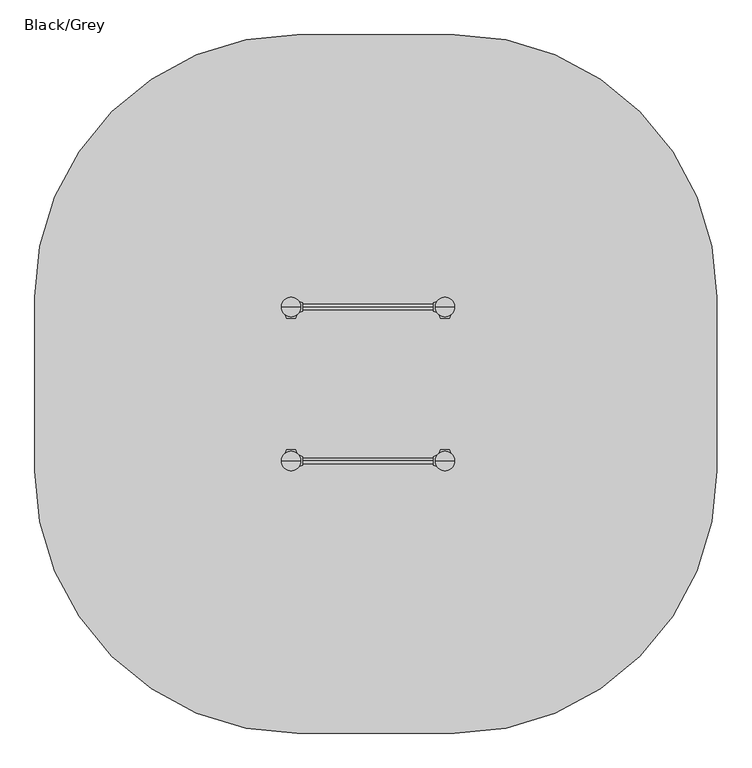
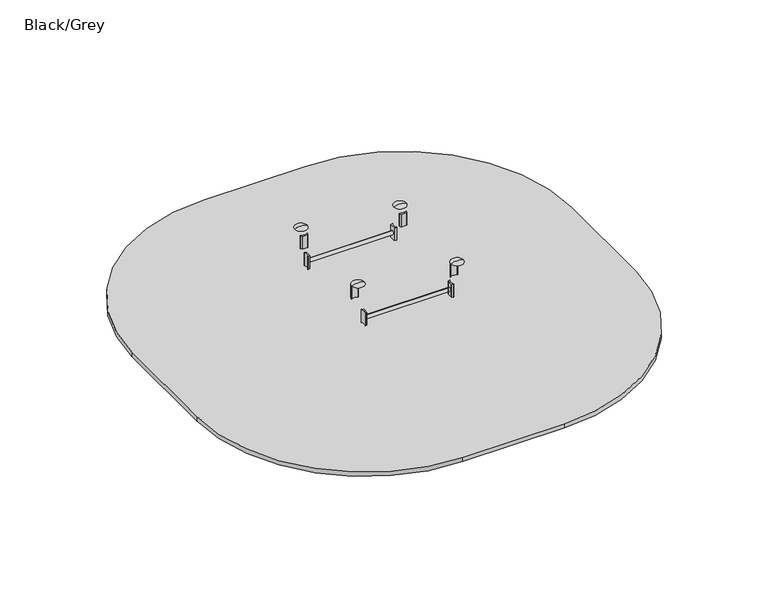
"""IFC4 building model written with IfcOpenShell, lengths in millimetres: furniture geometry, Black/Grey."""

from ifc_helpers import new_model, si_unit, point, frame, frame_2d, origin, place, context, project, spatial, polyline, circle_curve, ellipse_curve, trimmed, segment, composite_curve, outline, extrude, source, transform, mapped, element, save
from ifc_brep_helpers import plane_surface, cylinder_surface, revolved_surface, extruded_surface, advanced_brep


def black_grey_aa64d49e(model_context):
    return source(origin(), model_context, "Body", "SolidModel", [
        extrude(outline(composite_curve([segment(trimmed(circle_curve(frame_2d((-236.6777489, 1635.3699948)), 1.0), [point((-237.51792, 1634.8276734))], [point((-236.3357288, 1636.3096874))], False, "CARTESIAN"), True, "CONTINUOUS"), segment(polyline([(-236.3357288, 1636.3096874), (-219.6579799, 1630.2394832)]), True, "CONTINUOUS"), segment(trimmed(circle_curve(frame_2d((-220.0, 1629.2997906)), 1.0), [point((-219.6579799, 1630.2394832))], [point((-219.0, 1629.2997906))], False, "CARTESIAN"), True, "CONTINUOUS"), segment(polyline([(-219.0, 1629.2997906), (-219.0, 1580.7002057)]), True, "CONTINUOUS"), segment(trimmed(circle_curve(frame_2d((-220.0, 1580.7002057)), 1.0), [point((-219.0, 1580.7002057))], [point((-219.6579799, 1579.7605131))], False, "CARTESIAN"), True, "CONTINUOUS"), segment(polyline([(-219.6579799, 1579.7605131), (-236.3357288, 1573.6903089)]), True, "CONTINUOUS"), segment(trimmed(circle_curve(frame_2d((-236.6777489, 1574.6300015)), 1.0), [point((-236.3357288, 1573.6903089))], [point((-237.51792, 1575.1723229))], False, "CARTESIAN"), True, "CONTINUOUS"), segment(trimmed(circle_curve(frame_2d((-283.7273324, 1604.9999981)), 55.0), [point((-237.51792, 1575.1723229))], [point((-237.51792, 1634.8276734))], True, "CARTESIAN"), True, "CONTINUOUS")], self_intersect=False)), frame((0.0, 0.0, 305.0), z_axis=(0.0, 0.0, 1.0), x_axis=(1.0, 0.0, 0.0)), (0.0, 0.0, 1.0), 120.0),
        extrude(outline(composite_curve([segment(trimmed(circle_curve(frame_2d((548.6777489, 1574.6300052)), 1.0), [point((549.51792, 1575.1723266))], [point((548.3357288, 1573.6903126))], False, "CARTESIAN"), True, "CONTINUOUS"), segment(polyline([(548.3357288, 1573.6903126), (531.6579799, 1579.7605168)]), True, "CONTINUOUS"), segment(trimmed(circle_curve(frame_2d((532.0, 1580.7002094)), 1.0), [point((531.6579799, 1579.7605168))], [point((531.0, 1580.7002094))], False, "CARTESIAN"), True, "CONTINUOUS"), segment(polyline([(531.0, 1580.7002094), (531.0, 1629.2997943)]), True, "CONTINUOUS"), segment(trimmed(circle_curve(frame_2d((532.0, 1629.2997943)), 1.0), [point((531.0, 1629.2997943))], [point((531.6579799, 1630.2394869))], False, "CARTESIAN"), True, "CONTINUOUS"), segment(polyline([(531.6579799, 1630.2394869), (548.3357288, 1636.3096911)]), True, "CONTINUOUS"), segment(trimmed(circle_curve(frame_2d((548.6777489, 1635.3699985)), 1.0), [point((548.3357288, 1636.3096911))], [point((549.51792, 1634.8276771))], False, "CARTESIAN"), True, "CONTINUOUS"), segment(trimmed(circle_curve(frame_2d((595.7273324, 1605.0000019)), 55.0), [point((549.51792, 1634.8276771))], [point((549.51792, 1575.1723266))], True, "CARTESIAN"), True, "CONTINUOUS")], self_intersect=False)), frame((0.0, 0.0, 305.0), z_axis=(0.0, 0.0, 1.0), x_axis=(1.0, 0.0, 0.0)), (0.0, 0.0, 1.0), 120.0),
        advanced_brep(
        [(-271.5, 1677.4599432, -225.0), (-284.0, 1677.4599432, -225.0), (-296.5, 1677.4599432, -225.0), (-356.5, 1617.4599432, -225.0), (-356.5, 1592.4599432, -225.0), (-296.5, 1532.4599432, -225.0), (-271.5, 1532.4599432, -225.0), (-211.5, 1592.4599432, -225.0), (-211.5, 1617.4599432, -225.0), (-194.0, 1755.0, -460.0), (-284.0, 1755.0, -460.0), (-374.0, 1755.0, -460.0), (-434.0, 1695.0, -460.0), (-434.0, 1515.0, -460.0), (-374.0, 1455.0, -460.0), (-194.0, 1455.0, -460.0), (-134.0, 1515.0, -460.0), (-134.0, 1695.0, -460.0), (-194.0, 1755.0, -600.0), (-134.0, 1695.0, -600.0), (-134.0, 1515.0, -600.0), (-194.0, 1455.0, -600.0), (-374.0, 1455.0, -600.0), (-434.0, 1515.0, -600.0), (-434.0, 1695.0, -600.0), (-374.0, 1755.0, -600.0), (-284.0, 1755.0, -600.0)],
        [
            (0, 1),
            (1, 2),
            (2, 3, circle_curve(frame((-296.5, 1617.4599432, -225.0), z_axis=(0.0, 0.0, 1.0), x_axis=(1.0, 0.0, 0.0)), 60.0)),
            (3, 4),
            (4, 5, circle_curve(frame((-296.5, 1592.4599432, -225.0), z_axis=(0.0, 0.0, 1.0), x_axis=(1.0, 0.0, 0.0)), 60.0)),
            (5, 6),
            (6, 7, circle_curve(frame((-271.5, 1592.4599432, -225.0), z_axis=(0.0, 0.0, 1.0), x_axis=(1.0, 0.0, 0.0)), 60.0)),
            (7, 8),
            (8, 0, circle_curve(frame((-271.5, 1617.4599432, -225.0), z_axis=(0.0, 0.0, 1.0), x_axis=(1.0, 0.0, 0.0)), 60.0)),
            (0, 9),
            (9, 10),
            (10, 1),
            (10, 11),
            (11, 2),
            (11, 12, circle_curve(frame((-374.0, 1695.0, -460.0), z_axis=(0.0, 0.0, 1.0), x_axis=(1.0, 0.0, 0.0)), 60.0)),
            (12, 3),
            (12, 13),
            (13, 4),
            (13, 14, circle_curve(frame((-374.0, 1515.0, -460.0), z_axis=(0.0, 0.0, 1.0), x_axis=(1.0, 0.0, 0.0)), 60.0)),
            (14, 5),
            (14, 15),
            (15, 6),
            (15, 16, circle_curve(frame((-194.0, 1515.0, -460.0), z_axis=(0.0, 0.0, 1.0), x_axis=(1.0, 0.0, 0.0)), 60.0)),
            (16, 7),
            (16, 17),
            (17, 8),
            (17, 9, circle_curve(frame((-194.0, 1695.0, -460.0), z_axis=(0.0, 0.0, 1.0), x_axis=(1.0, 0.0, 0.0)), 60.0)),
            (18, 19, circle_curve(frame((-194.0, 1695.0, -600.0), z_axis=(0.0, 0.0, -1.0), x_axis=(1.0, 0.0, 0.0)), 60.0)),
            (19, 20),
            (20, 21, circle_curve(frame((-194.0, 1515.0, -600.0), z_axis=(0.0, 0.0, -1.0), x_axis=(1.0, 0.0, 0.0)), 60.0)),
            (21, 22),
            (22, 23, circle_curve(frame((-374.0, 1515.0, -600.0), z_axis=(0.0, 0.0, -1.0), x_axis=(1.0, 0.0, 0.0)), 60.0)),
            (23, 24),
            (24, 25, circle_curve(frame((-374.0, 1695.0, -600.0), z_axis=(0.0, 0.0, -1.0), x_axis=(1.0, 0.0, 0.0)), 60.0)),
            (25, 26),
            (26, 18),
            (26, 10),
            (9, 18),
            (25, 11),
            (23, 13),
            (12, 24),
            (21, 15),
            (14, 22),
            (19, 17),
            (16, 20),
        ],
        [
            plane_surface(frame((-284.0, 1613.0154988, -225.0), z_axis=(0.0, 0.0, 1.0), x_axis=(-1.0, 0.0, 0.0))),
            plane_surface(frame((-277.75, 1677.4599432, -225.0), z_axis=(0.0, 0.9496406059136844, 0.3133412191204512), x_axis=(1.0, 0.0, 0.0))),
            plane_surface(frame((-290.25, 1677.4599432, -225.0), z_axis=(0.0, 0.9496406059136843, 0.3133412191204512), x_axis=(1.0, 0.0, 0.0))),
            extruded_surface(trimmed(circle_curve(frame((-296.5, 1617.4599432, -225.0), z_axis=(0.0, 0.0, -1.0), x_axis=(1.0, 0.0, 0.0)), 60.0), [point((-356.5, 1617.4599432, -225.0))], [point((-296.5, 1677.4599432, -225.0))], True, "CARTESIAN"), (-77.5, 77.5400568, -235.0), 259.3139225119763),
            plane_surface(frame((-356.5, 1604.9599432, -225.0), z_axis=(-0.9496887635303409, 0.0, 0.31319523052596476), x_axis=(0.0, 1.0, 0.0))),
            extruded_surface(trimmed(circle_curve(frame((-296.5, 1592.4599432, -225.0), z_axis=(0.0, 0.0, -1.0), x_axis=(1.0, 0.0, 0.0)), 60.0), [point((-296.5, 1532.4599432, -225.0))], [point((-356.5, 1592.4599432, -225.0))], True, "CARTESIAN"), (-77.5, -77.4599432, -235.0), 259.2899782107809),
            plane_surface(frame((-284.0, 1532.4599432, -225.0), z_axis=(0.0, -0.9497369035840961, 0.3130492197250991), x_axis=(-1.0, 0.0, 0.0))),
            extruded_surface(trimmed(circle_curve(frame((-271.5, 1592.4599432, -225.0), z_axis=(0.0, 0.0, -1.0), x_axis=(1.0, 0.0, 0.0)), 60.0), [point((-211.5, 1592.4599432, -225.0))], [point((-271.5, 1532.4599432, -225.0))], True, "CARTESIAN"), (77.5, -77.4599432, -235.0), 259.2899782107809),
            plane_surface(frame((-211.5, 1604.9599432, -225.0), z_axis=(0.9496887635303416, 0.0, 0.3131952305259627), x_axis=(0.0, -1.0, 0.0))),
            extruded_surface(trimmed(circle_curve(frame((-271.5, 1617.4599432, -225.0), z_axis=(0.0, 0.0, -1.0), x_axis=(1.0, 0.0, 0.0)), 60.0), [point((-271.5, 1677.4599432, -225.0))], [point((-211.5, 1617.4599432, -225.0))], True, "CARTESIAN"), (77.5, 77.5400568, -235.0), 259.3139225119763),
            plane_surface(frame((-284.0, 1755.0, -600.0), z_axis=(0.0, 0.0, -1.0), x_axis=(1.0, 0.0, 0.0))),
            plane_surface(frame((-194.0, 1755.0, -460.0), z_axis=(0.0, 1.0, 0.0), x_axis=(0.0, 0.0, -1.0))),
            plane_surface(frame((-284.0, 1755.0, -460.0), z_axis=(0.0, 1.0, 0.0), x_axis=(0.0, 0.0, -1.0))),
            plane_surface(frame((-434.0, 1695.0, -460.0), z_axis=(-1.0, 0.0, 0.0), x_axis=(0.0, 0.0, -1.0))),
            plane_surface(frame((-374.0, 1455.0, -460.0), z_axis=(0.0, -1.0, 0.0), x_axis=(0.0, 0.0, -1.0))),
            plane_surface(frame((-134.0, 1515.0, -460.0), z_axis=(1.0, 0.0, 0.0), x_axis=(0.0, 0.0, -1.0))),
            cylinder_surface(frame((-374.0, 1695.0, -600.0), z_axis=(0.0, 0.0, 1.0), x_axis=(1.0, 0.0, 0.0)), 60.0),
            cylinder_surface(frame((-374.0, 1515.0, -600.0), z_axis=(0.0, 0.0, 1.0), x_axis=(1.0, 0.0, 0.0)), 60.0),
            cylinder_surface(frame((-194.0, 1515.0, -600.0), z_axis=(0.0, 0.0, 1.0), x_axis=(1.0, 0.0, 0.0)), 60.0),
            cylinder_surface(frame((-194.0, 1695.0, -600.0), z_axis=(0.0, 0.0, 1.0), x_axis=(1.0, 0.0, 0.0)), 60.0),
        ],
        [
            (0, [[1, 2, 3, 4, 5, 6, 7, 8, 9]]),
            (1, [[-1, 10, 11, 12]]),
            (2, [[-2, -12, 13, 14]]),
            (3, [[-3, -14, 15, 16]]),
            (4, [[-4, -16, 17, 18]]),
            (5, [[-5, -18, 19, 20]]),
            (6, [[-6, -20, 21, 22]]),
            (7, [[-7, -22, 23, 24]]),
            (8, [[-8, -24, 25, 26]]),
            (9, [[-9, -26, 27, -10]]),
            (10, [[28, 29, 30, 31, 32, 33, 34, 35, 36]]),
            (11, [[-36, 37, -11, 38]]),
            (12, [[-35, 39, -13, -37]]),
            (13, [[-33, 40, -17, 41]]),
            (14, [[-31, 42, -21, 43]]),
            (15, [[-29, 44, -25, 45]]),
            (16, [[-34, -41, -15, -39]]),
            (17, [[-32, -43, -19, -40]]),
            (18, [[-30, -45, -23, -42]]),
            (19, [[-28, -38, -27, -44]]),
        ],
    ),
        extrude(outline(composite_curve([segment(trimmed(circle_curve(frame_2d((-284.0, 1605.0)), 55.0), [point((-339.0, 1605.0))], [point((-229.0, 1605.0))], False, "CARTESIAN"), True, "CONTINUOUS"), segment(trimmed(circle_curve(frame_2d((-284.0, 1605.0)), 55.0), [point((-229.0, 1605.0))], [point((-339.0, 1605.0))], False, "CARTESIAN"), True, "CONTINUOUS")], self_intersect=False)), frame((0.0, 0.0, -600.0), z_axis=(0.0, 0.0, 1.0), x_axis=(1.0, 0.0, 0.0)), (0.0, 0.0, 1.0), 500.0),
        advanced_brep(
        [(608.5, 1677.4599432, -225.0), (596.0, 1677.4599432, -225.0), (583.5, 1677.4599432, -225.0), (523.5, 1617.4599432, -225.0), (523.5, 1592.4599432, -225.0), (583.5, 1532.4599432, -225.0), (608.5, 1532.4599432, -225.0), (668.5, 1592.4599432, -225.0), (668.5, 1617.4599432, -225.0), (686.0, 1755.0, -460.0), (596.0, 1755.0, -460.0), (506.0, 1755.0, -460.0), (446.0, 1695.0, -460.0), (446.0, 1515.0, -460.0), (506.0, 1455.0, -460.0), (686.0, 1455.0, -460.0), (746.0, 1515.0, -460.0), (746.0, 1695.0, -460.0), (686.0, 1755.0, -600.0), (746.0, 1695.0, -600.0), (746.0, 1515.0, -600.0), (686.0, 1455.0, -600.0), (506.0, 1455.0, -600.0), (446.0, 1515.0, -600.0), (446.0, 1695.0, -600.0), (506.0, 1755.0, -600.0), (596.0, 1755.0, -600.0)],
        [
            (0, 1),
            (1, 2),
            (2, 3, circle_curve(frame((583.5, 1617.4599432, -225.0), z_axis=(0.0, 0.0, 1.0), x_axis=(1.0, 0.0, 0.0)), 60.0)),
            (3, 4),
            (4, 5, circle_curve(frame((583.5, 1592.4599432, -225.0), z_axis=(0.0, 0.0, 1.0), x_axis=(1.0, 0.0, 0.0)), 60.0)),
            (5, 6),
            (6, 7, circle_curve(frame((608.5, 1592.4599432, -225.0), z_axis=(0.0, 0.0, 1.0), x_axis=(1.0, 0.0, 0.0)), 60.0)),
            (7, 8),
            (8, 0, circle_curve(frame((608.5, 1617.4599432, -225.0), z_axis=(0.0, 0.0, 1.0), x_axis=(1.0, 0.0, 0.0)), 60.0)),
            (0, 9),
            (9, 10),
            (10, 1),
            (10, 11),
            (11, 2),
            (11, 12, circle_curve(frame((506.0, 1695.0, -460.0), z_axis=(0.0, 0.0, 1.0), x_axis=(1.0, 0.0, 0.0)), 60.0)),
            (12, 3),
            (12, 13),
            (13, 4),
            (13, 14, circle_curve(frame((506.0, 1515.0, -460.0), z_axis=(0.0, 0.0, 1.0), x_axis=(1.0, 0.0, 0.0)), 60.0)),
            (14, 5),
            (14, 15),
            (15, 6),
            (15, 16, circle_curve(frame((686.0, 1515.0, -460.0), z_axis=(0.0, 0.0, 1.0), x_axis=(1.0, 0.0, 0.0)), 60.0)),
            (16, 7),
            (16, 17),
            (17, 8),
            (17, 9, circle_curve(frame((686.0, 1695.0, -460.0), z_axis=(0.0, 0.0, 1.0), x_axis=(1.0, 0.0, 0.0)), 60.0)),
            (18, 19, circle_curve(frame((686.0, 1695.0, -600.0), z_axis=(0.0, 0.0, -1.0), x_axis=(1.0, 0.0, 0.0)), 60.0)),
            (19, 20),
            (20, 21, circle_curve(frame((686.0, 1515.0, -600.0), z_axis=(0.0, 0.0, -1.0), x_axis=(1.0, 0.0, 0.0)), 60.0)),
            (21, 22),
            (22, 23, circle_curve(frame((506.0, 1515.0, -600.0), z_axis=(0.0, 0.0, -1.0), x_axis=(1.0, 0.0, 0.0)), 60.0)),
            (23, 24),
            (24, 25, circle_curve(frame((506.0, 1695.0, -600.0), z_axis=(0.0, 0.0, -1.0), x_axis=(1.0, 0.0, 0.0)), 60.0)),
            (25, 26),
            (26, 18),
            (26, 10),
            (9, 18),
            (25, 11),
            (23, 13),
            (12, 24),
            (21, 15),
            (14, 22),
            (19, 17),
            (16, 20),
        ],
        [
            plane_surface(frame((596.0, 1613.0154988, -225.0), z_axis=(0.0, 0.0, 1.0), x_axis=(-1.0, 0.0, 0.0))),
            plane_surface(frame((602.25, 1677.4599432, -225.0), z_axis=(0.0, 0.9496406059136844, 0.3133412191204512), x_axis=(1.0, 0.0, 0.0))),
            plane_surface(frame((589.75, 1677.4599432, -225.0), z_axis=(0.0, 0.9496406059136843, 0.3133412191204512), x_axis=(1.0, 0.0, 0.0))),
            extruded_surface(trimmed(circle_curve(frame((583.5, 1617.4599432, -225.0), z_axis=(0.0, 0.0, -1.0), x_axis=(1.0, 0.0, 0.0)), 60.0), [point((523.5, 1617.4599432, -225.0))], [point((583.5, 1677.4599432, -225.0))], True, "CARTESIAN"), (-77.5, 77.5400568, -235.0), 259.3139225119763),
            plane_surface(frame((523.5, 1604.9599432, -225.0), z_axis=(-0.9496887635303409, 0.0, 0.31319523052596476), x_axis=(0.0, 1.0, 0.0))),
            extruded_surface(trimmed(circle_curve(frame((583.5, 1592.4599432, -225.0), z_axis=(0.0, 0.0, -1.0), x_axis=(1.0, 0.0, 0.0)), 60.0), [point((583.5, 1532.4599432, -225.0))], [point((523.5, 1592.4599432, -225.0))], True, "CARTESIAN"), (-77.5, -77.4599432, -235.0), 259.2899782107809),
            plane_surface(frame((596.0, 1532.4599432, -225.0), z_axis=(0.0, -0.9497369035840961, 0.3130492197250991), x_axis=(-1.0, 0.0, 0.0))),
            extruded_surface(trimmed(circle_curve(frame((608.5, 1592.4599432, -225.0), z_axis=(0.0, 0.0, -1.0), x_axis=(1.0, 0.0, 0.0)), 60.0), [point((668.5, 1592.4599432, -225.0))], [point((608.5, 1532.4599432, -225.0))], True, "CARTESIAN"), (77.5, -77.4599432, -235.0), 259.2899782107809),
            plane_surface(frame((668.5, 1604.9599432, -225.0), z_axis=(0.9496887635303416, 0.0, 0.3131952305259627), x_axis=(0.0, -1.0, 0.0))),
            extruded_surface(trimmed(circle_curve(frame((608.5, 1617.4599432, -225.0), z_axis=(0.0, 0.0, -1.0), x_axis=(1.0, 0.0, 0.0)), 60.0), [point((608.5, 1677.4599432, -225.0))], [point((668.5, 1617.4599432, -225.0))], True, "CARTESIAN"), (77.5, 77.5400568, -235.0), 259.3139225119763),
            plane_surface(frame((596.0, 1755.0, -600.0), z_axis=(0.0, 0.0, -1.0), x_axis=(1.0, 0.0, 0.0))),
            plane_surface(frame((686.0, 1755.0, -460.0), z_axis=(0.0, 1.0, 0.0), x_axis=(0.0, 0.0, -1.0))),
            plane_surface(frame((596.0, 1755.0, -460.0), z_axis=(0.0, 1.0, 0.0), x_axis=(0.0, 0.0, -1.0))),
            plane_surface(frame((446.0, 1695.0, -460.0), z_axis=(-1.0, 0.0, 0.0), x_axis=(0.0, 0.0, -1.0))),
            plane_surface(frame((506.0, 1455.0, -460.0), z_axis=(0.0, -1.0, 0.0), x_axis=(0.0, 0.0, -1.0))),
            plane_surface(frame((746.0, 1515.0, -460.0), z_axis=(1.0, 0.0, 0.0), x_axis=(0.0, 0.0, -1.0))),
            cylinder_surface(frame((506.0, 1695.0, -600.0), z_axis=(0.0, 0.0, 1.0), x_axis=(1.0, 0.0, 0.0)), 60.0),
            cylinder_surface(frame((506.0, 1515.0, -600.0), z_axis=(0.0, 0.0, 1.0), x_axis=(1.0, 0.0, 0.0)), 60.0),
            cylinder_surface(frame((686.0, 1515.0, -600.0), z_axis=(0.0, 0.0, 1.0), x_axis=(1.0, 0.0, 0.0)), 60.0),
            cylinder_surface(frame((686.0, 1695.0, -600.0), z_axis=(0.0, 0.0, 1.0), x_axis=(1.0, 0.0, 0.0)), 60.0),
        ],
        [
            (0, [[1, 2, 3, 4, 5, 6, 7, 8, 9]]),
            (1, [[-1, 10, 11, 12]]),
            (2, [[-2, -12, 13, 14]]),
            (3, [[-3, -14, 15, 16]]),
            (4, [[-4, -16, 17, 18]]),
            (5, [[-5, -18, 19, 20]]),
            (6, [[-6, -20, 21, 22]]),
            (7, [[-7, -22, 23, 24]]),
            (8, [[-8, -24, 25, 26]]),
            (9, [[-9, -26, 27, -10]]),
            (10, [[28, 29, 30, 31, 32, 33, 34, 35, 36]]),
            (11, [[-36, 37, -11, 38]]),
            (12, [[-35, 39, -13, -37]]),
            (13, [[-33, 40, -17, 41]]),
            (14, [[-31, 42, -21, 43]]),
            (15, [[-29, 44, -25, 45]]),
            (16, [[-34, -41, -15, -39]]),
            (17, [[-32, -43, -19, -40]]),
            (18, [[-30, -45, -23, -42]]),
            (19, [[-28, -38, -27, -44]]),
        ],
    ),
        extrude(outline(composite_curve([segment(trimmed(circle_curve(frame_2d((596.0, 1605.0)), 55.0), [point((541.0, 1605.0))], [point((651.0, 1605.0))], False, "CARTESIAN"), True, "CONTINUOUS"), segment(trimmed(circle_curve(frame_2d((596.0, 1605.0)), 55.0), [point((651.0, 1605.0))], [point((541.0, 1605.0))], False, "CARTESIAN"), True, "CONTINUOUS")], self_intersect=False)), frame((0.0, 0.0, -600.0), z_axis=(0.0, 0.0, 1.0), x_axis=(1.0, 0.0, 0.0)), (0.0, 0.0, 1.0), 500.0),
        advanced_brep(
        [(608.5, 2557.4599432, -225.0), (596.0, 2557.4599432, -225.0), (583.5, 2557.4599432, -225.0), (523.5, 2497.4599432, -225.0), (523.5, 2472.4599432, -225.0), (583.5, 2412.4599432, -225.0), (608.5, 2412.4599432, -225.0), (668.5, 2472.4599432, -225.0), (668.5, 2497.4599432, -225.0), (686.0, 2635.0, -460.0), (596.0, 2635.0, -460.0), (506.0, 2635.0, -460.0), (446.0, 2575.0, -460.0), (446.0, 2395.0, -460.0), (506.0, 2335.0, -460.0), (686.0, 2335.0, -460.0), (746.0, 2395.0, -460.0), (746.0, 2575.0, -460.0), (686.0, 2635.0, -600.0), (746.0, 2575.0, -600.0), (746.0, 2395.0, -600.0), (686.0, 2335.0, -600.0), (506.0, 2335.0, -600.0), (446.0, 2395.0, -600.0), (446.0, 2575.0, -600.0), (506.0, 2635.0, -600.0), (596.0, 2635.0, -600.0)],
        [
            (0, 1),
            (1, 2),
            (2, 3, circle_curve(frame((583.5, 2497.4599432, -225.0), z_axis=(0.0, 0.0, 1.0), x_axis=(1.0, 0.0, 0.0)), 60.0)),
            (3, 4),
            (4, 5, circle_curve(frame((583.5, 2472.4599432, -225.0), z_axis=(0.0, 0.0, 1.0), x_axis=(1.0, 0.0, 0.0)), 60.0)),
            (5, 6),
            (6, 7, circle_curve(frame((608.5, 2472.4599432, -225.0), z_axis=(0.0, 0.0, 1.0), x_axis=(1.0, 0.0, 0.0)), 60.0)),
            (7, 8),
            (8, 0, circle_curve(frame((608.5, 2497.4599432, -225.0), z_axis=(0.0, 0.0, 1.0), x_axis=(1.0, 0.0, 0.0)), 60.0)),
            (0, 9),
            (9, 10),
            (10, 1),
            (10, 11),
            (11, 2),
            (11, 12, circle_curve(frame((506.0, 2575.0, -460.0), z_axis=(0.0, 0.0, 1.0), x_axis=(1.0, 0.0, 0.0)), 60.0)),
            (12, 3),
            (12, 13),
            (13, 4),
            (13, 14, circle_curve(frame((506.0, 2395.0, -460.0), z_axis=(0.0, 0.0, 1.0), x_axis=(1.0, 0.0, 0.0)), 60.0)),
            (14, 5),
            (14, 15),
            (15, 6),
            (15, 16, circle_curve(frame((686.0, 2395.0, -460.0), z_axis=(0.0, 0.0, 1.0), x_axis=(1.0, 0.0, 0.0)), 60.0)),
            (16, 7),
            (16, 17),
            (17, 8),
            (17, 9, circle_curve(frame((686.0, 2575.0, -460.0), z_axis=(0.0, 0.0, 1.0), x_axis=(1.0, 0.0, 0.0)), 60.0)),
            (18, 19, circle_curve(frame((686.0, 2575.0, -600.0), z_axis=(0.0, 0.0, -1.0), x_axis=(1.0, 0.0, 0.0)), 60.0)),
            (19, 20),
            (20, 21, circle_curve(frame((686.0, 2395.0, -600.0), z_axis=(0.0, 0.0, -1.0), x_axis=(1.0, 0.0, 0.0)), 60.0)),
            (21, 22),
            (22, 23, circle_curve(frame((506.0, 2395.0, -600.0), z_axis=(0.0, 0.0, -1.0), x_axis=(1.0, 0.0, 0.0)), 60.0)),
            (23, 24),
            (24, 25, circle_curve(frame((506.0, 2575.0, -600.0), z_axis=(0.0, 0.0, -1.0), x_axis=(1.0, 0.0, 0.0)), 60.0)),
            (25, 26),
            (26, 18),
            (26, 10),
            (9, 18),
            (25, 11),
            (23, 13),
            (12, 24),
            (21, 15),
            (14, 22),
            (19, 17),
            (16, 20),
        ],
        [
            plane_surface(frame((596.0, 2493.0154988, -225.0), z_axis=(0.0, 0.0, 1.0), x_axis=(-1.0, 0.0, 0.0))),
            plane_surface(frame((602.25, 2557.4599432, -225.0), z_axis=(0.0, 0.9496406059136844, 0.3133412191204512), x_axis=(1.0, 0.0, 0.0))),
            plane_surface(frame((589.75, 2557.4599432, -225.0), z_axis=(0.0, 0.9496406059136843, 0.3133412191204512), x_axis=(1.0, 0.0, 0.0))),
            extruded_surface(trimmed(circle_curve(frame((583.5, 2497.4599432, -225.0), z_axis=(0.0, 0.0, -1.0), x_axis=(1.0, 0.0, 0.0)), 60.0), [point((523.5, 2497.4599432, -225.0))], [point((583.5, 2557.4599432, -225.0))], True, "CARTESIAN"), (-77.5, 77.5400568, -235.0), 259.3139225119763),
            plane_surface(frame((523.5, 2484.9599432, -225.0), z_axis=(-0.9496887635303409, 0.0, 0.31319523052596476), x_axis=(0.0, 1.0, 0.0))),
            extruded_surface(trimmed(circle_curve(frame((583.5, 2472.4599432, -225.0), z_axis=(0.0, 0.0, -1.0), x_axis=(1.0, 0.0, 0.0)), 60.0), [point((583.5, 2412.4599432, -225.0))], [point((523.5, 2472.4599432, -225.0))], True, "CARTESIAN"), (-77.5, -77.4599432, -235.0), 259.2899782107809),
            plane_surface(frame((596.0, 2412.4599432, -225.0), z_axis=(0.0, -0.9497369035840961, 0.3130492197250991), x_axis=(-1.0, 0.0, 0.0))),
            extruded_surface(trimmed(circle_curve(frame((608.5, 2472.4599432, -225.0), z_axis=(0.0, 0.0, -1.0), x_axis=(1.0, 0.0, 0.0)), 60.0), [point((668.5, 2472.4599432, -225.0))], [point((608.5, 2412.4599432, -225.0))], True, "CARTESIAN"), (77.5, -77.4599432, -235.0), 259.2899782107809),
            plane_surface(frame((668.5, 2484.9599432, -225.0), z_axis=(0.9496887635303416, 0.0, 0.3131952305259627), x_axis=(0.0, -1.0, 0.0))),
            extruded_surface(trimmed(circle_curve(frame((608.5, 2497.4599432, -225.0), z_axis=(0.0, 0.0, -1.0), x_axis=(1.0, 0.0, 0.0)), 60.0), [point((608.5, 2557.4599432, -225.0))], [point((668.5, 2497.4599432, -225.0))], True, "CARTESIAN"), (77.5, 77.5400568, -235.0), 259.3139225119763),
            plane_surface(frame((596.0, 2635.0, -600.0), z_axis=(0.0, 0.0, -1.0), x_axis=(1.0, 0.0, 0.0))),
            plane_surface(frame((686.0, 2635.0, -460.0), z_axis=(0.0, 1.0, 0.0), x_axis=(0.0, 0.0, -1.0))),
            plane_surface(frame((596.0, 2635.0, -460.0), z_axis=(0.0, 1.0, 0.0), x_axis=(0.0, 0.0, -1.0))),
            plane_surface(frame((446.0, 2575.0, -460.0), z_axis=(-1.0, 0.0, 0.0), x_axis=(0.0, 0.0, -1.0))),
            plane_surface(frame((506.0, 2335.0, -460.0), z_axis=(0.0, -1.0, 0.0), x_axis=(0.0, 0.0, -1.0))),
            plane_surface(frame((746.0, 2395.0, -460.0), z_axis=(1.0, 0.0, 0.0), x_axis=(0.0, 0.0, -1.0))),
            cylinder_surface(frame((506.0, 2575.0, -600.0), z_axis=(0.0, 0.0, 1.0), x_axis=(1.0, 0.0, 0.0)), 60.0),
            cylinder_surface(frame((506.0, 2395.0, -600.0), z_axis=(0.0, 0.0, 1.0), x_axis=(1.0, 0.0, 0.0)), 60.0),
            cylinder_surface(frame((686.0, 2395.0, -600.0), z_axis=(0.0, 0.0, 1.0), x_axis=(1.0, 0.0, 0.0)), 60.0),
            cylinder_surface(frame((686.0, 2575.0, -600.0), z_axis=(0.0, 0.0, 1.0), x_axis=(1.0, 0.0, 0.0)), 60.0),
        ],
        [
            (0, [[1, 2, 3, 4, 5, 6, 7, 8, 9]]),
            (1, [[-1, 10, 11, 12]]),
            (2, [[-2, -12, 13, 14]]),
            (3, [[-3, -14, 15, 16]]),
            (4, [[-4, -16, 17, 18]]),
            (5, [[-5, -18, 19, 20]]),
            (6, [[-6, -20, 21, 22]]),
            (7, [[-7, -22, 23, 24]]),
            (8, [[-8, -24, 25, 26]]),
            (9, [[-9, -26, 27, -10]]),
            (10, [[28, 29, 30, 31, 32, 33, 34, 35, 36]]),
            (11, [[-36, 37, -11, 38]]),
            (12, [[-35, 39, -13, -37]]),
            (13, [[-33, 40, -17, 41]]),
            (14, [[-31, 42, -21, 43]]),
            (15, [[-29, 44, -25, 45]]),
            (16, [[-34, -41, -15, -39]]),
            (17, [[-32, -43, -19, -40]]),
            (18, [[-30, -45, -23, -42]]),
            (19, [[-28, -38, -27, -44]]),
        ],
    ),
        extrude(outline(composite_curve([segment(trimmed(circle_curve(frame_2d((596.0, 2485.0)), 55.0), [point((541.0, 2485.0))], [point((651.0, 2485.0))], False, "CARTESIAN"), True, "CONTINUOUS"), segment(trimmed(circle_curve(frame_2d((596.0, 2485.0)), 55.0), [point((651.0, 2485.0))], [point((541.0, 2485.0))], False, "CARTESIAN"), True, "CONTINUOUS")], self_intersect=False)), frame((0.0, 0.0, -600.0), z_axis=(0.0, 0.0, 1.0), x_axis=(1.0, 0.0, 0.0)), (0.0, 0.0, 1.0), 500.0),
        advanced_brep(
        [(-271.5, 2557.4599432, -225.0), (-284.0, 2557.4599432, -225.0), (-296.5, 2557.4599432, -225.0), (-356.5, 2497.4599432, -225.0), (-356.5, 2472.4599432, -225.0), (-296.5, 2412.4599432, -225.0), (-271.5, 2412.4599432, -225.0), (-211.5, 2472.4599432, -225.0), (-211.5, 2497.4599432, -225.0), (-194.0, 2635.0, -460.0), (-284.0, 2635.0, -460.0), (-374.0, 2635.0, -460.0), (-434.0, 2575.0, -460.0), (-434.0, 2395.0, -460.0), (-374.0, 2335.0, -460.0), (-194.0, 2335.0, -460.0), (-134.0, 2395.0, -460.0), (-134.0, 2575.0, -460.0), (-194.0, 2635.0, -600.0), (-134.0, 2575.0, -600.0), (-134.0, 2395.0, -600.0), (-194.0, 2335.0, -600.0), (-374.0, 2335.0, -600.0), (-434.0, 2395.0, -600.0), (-434.0, 2575.0, -600.0), (-374.0, 2635.0, -600.0), (-284.0, 2635.0, -600.0)],
        [
            (0, 1),
            (1, 2),
            (2, 3, circle_curve(frame((-296.5, 2497.4599432, -225.0), z_axis=(0.0, 0.0, 1.0), x_axis=(1.0, 0.0, 0.0)), 60.0)),
            (3, 4),
            (4, 5, circle_curve(frame((-296.5, 2472.4599432, -225.0), z_axis=(0.0, 0.0, 1.0), x_axis=(1.0, 0.0, 0.0)), 60.0)),
            (5, 6),
            (6, 7, circle_curve(frame((-271.5, 2472.4599432, -225.0), z_axis=(0.0, 0.0, 1.0), x_axis=(1.0, 0.0, 0.0)), 60.0)),
            (7, 8),
            (8, 0, circle_curve(frame((-271.5, 2497.4599432, -225.0), z_axis=(0.0, 0.0, 1.0), x_axis=(1.0, 0.0, 0.0)), 60.0)),
            (0, 9),
            (9, 10),
            (10, 1),
            (10, 11),
            (11, 2),
            (11, 12, circle_curve(frame((-374.0, 2575.0, -460.0), z_axis=(0.0, 0.0, 1.0), x_axis=(1.0, 0.0, 0.0)), 60.0)),
            (12, 3),
            (12, 13),
            (13, 4),
            (13, 14, circle_curve(frame((-374.0, 2395.0, -460.0), z_axis=(0.0, 0.0, 1.0), x_axis=(1.0, 0.0, 0.0)), 60.0)),
            (14, 5),
            (14, 15),
            (15, 6),
            (15, 16, circle_curve(frame((-194.0, 2395.0, -460.0), z_axis=(0.0, 0.0, 1.0), x_axis=(1.0, 0.0, 0.0)), 60.0)),
            (16, 7),
            (16, 17),
            (17, 8),
            (17, 9, circle_curve(frame((-194.0, 2575.0, -460.0), z_axis=(0.0, 0.0, 1.0), x_axis=(1.0, 0.0, 0.0)), 60.0)),
            (18, 19, circle_curve(frame((-194.0, 2575.0, -600.0), z_axis=(0.0, 0.0, -1.0), x_axis=(1.0, 0.0, 0.0)), 60.0)),
            (19, 20),
            (20, 21, circle_curve(frame((-194.0, 2395.0, -600.0), z_axis=(0.0, 0.0, -1.0), x_axis=(1.0, 0.0, 0.0)), 60.0)),
            (21, 22),
            (22, 23, circle_curve(frame((-374.0, 2395.0, -600.0), z_axis=(0.0, 0.0, -1.0), x_axis=(1.0, 0.0, 0.0)), 60.0)),
            (23, 24),
            (24, 25, circle_curve(frame((-374.0, 2575.0, -600.0), z_axis=(0.0, 0.0, -1.0), x_axis=(1.0, 0.0, 0.0)), 60.0)),
            (25, 26),
            (26, 18),
            (26, 10),
            (9, 18),
            (25, 11),
            (23, 13),
            (12, 24),
            (21, 15),
            (14, 22),
            (19, 17),
            (16, 20),
        ],
        [
            plane_surface(frame((-284.0, 2493.0154988, -225.0), z_axis=(0.0, 0.0, 1.0), x_axis=(-1.0, 0.0, 0.0))),
            plane_surface(frame((-277.75, 2557.4599432, -225.0), z_axis=(0.0, 0.9496406059136844, 0.3133412191204512), x_axis=(1.0, 0.0, 0.0))),
            plane_surface(frame((-290.25, 2557.4599432, -225.0), z_axis=(0.0, 0.9496406059136843, 0.3133412191204512), x_axis=(1.0, 0.0, 0.0))),
            extruded_surface(trimmed(circle_curve(frame((-296.5, 2497.4599432, -225.0), z_axis=(0.0, 0.0, -1.0), x_axis=(1.0, 0.0, 0.0)), 60.0), [point((-356.5, 2497.4599432, -225.0))], [point((-296.5, 2557.4599432, -225.0))], True, "CARTESIAN"), (-77.5, 77.5400568, -235.0), 259.3139225119763),
            plane_surface(frame((-356.5, 2484.9599432, -225.0), z_axis=(-0.9496887635303409, 0.0, 0.31319523052596476), x_axis=(0.0, 1.0, 0.0))),
            extruded_surface(trimmed(circle_curve(frame((-296.5, 2472.4599432, -225.0), z_axis=(0.0, 0.0, -1.0), x_axis=(1.0, 0.0, 0.0)), 60.0), [point((-296.5, 2412.4599432, -225.0))], [point((-356.5, 2472.4599432, -225.0))], True, "CARTESIAN"), (-77.5, -77.4599432, -235.0), 259.2899782107809),
            plane_surface(frame((-284.0, 2412.4599432, -225.0), z_axis=(0.0, -0.9497369035840961, 0.3130492197250991), x_axis=(-1.0, 0.0, 0.0))),
            extruded_surface(trimmed(circle_curve(frame((-271.5, 2472.4599432, -225.0), z_axis=(0.0, 0.0, -1.0), x_axis=(1.0, 0.0, 0.0)), 60.0), [point((-211.5, 2472.4599432, -225.0))], [point((-271.5, 2412.4599432, -225.0))], True, "CARTESIAN"), (77.5, -77.4599432, -235.0), 259.2899782107809),
            plane_surface(frame((-211.5, 2484.9599432, -225.0), z_axis=(0.9496887635303416, 0.0, 0.3131952305259627), x_axis=(0.0, -1.0, 0.0))),
            extruded_surface(trimmed(circle_curve(frame((-271.5, 2497.4599432, -225.0), z_axis=(0.0, 0.0, -1.0), x_axis=(1.0, 0.0, 0.0)), 60.0), [point((-271.5, 2557.4599432, -225.0))], [point((-211.5, 2497.4599432, -225.0))], True, "CARTESIAN"), (77.5, 77.5400568, -235.0), 259.3139225119763),
            plane_surface(frame((-284.0, 2635.0, -600.0), z_axis=(0.0, 0.0, -1.0), x_axis=(1.0, 0.0, 0.0))),
            plane_surface(frame((-194.0, 2635.0, -460.0), z_axis=(0.0, 1.0, 0.0), x_axis=(0.0, 0.0, -1.0))),
            plane_surface(frame((-284.0, 2635.0, -460.0), z_axis=(0.0, 1.0, 0.0), x_axis=(0.0, 0.0, -1.0))),
            plane_surface(frame((-434.0, 2575.0, -460.0), z_axis=(-1.0, 0.0, 0.0), x_axis=(0.0, 0.0, -1.0))),
            plane_surface(frame((-374.0, 2335.0, -460.0), z_axis=(0.0, -1.0, 0.0), x_axis=(0.0, 0.0, -1.0))),
            plane_surface(frame((-134.0, 2395.0, -460.0), z_axis=(1.0, 0.0, 0.0), x_axis=(0.0, 0.0, -1.0))),
            cylinder_surface(frame((-374.0, 2575.0, -600.0), z_axis=(0.0, 0.0, 1.0), x_axis=(1.0, 0.0, 0.0)), 60.0),
            cylinder_surface(frame((-374.0, 2395.0, -600.0), z_axis=(0.0, 0.0, 1.0), x_axis=(1.0, 0.0, 0.0)), 60.0),
            cylinder_surface(frame((-194.0, 2395.0, -600.0), z_axis=(0.0, 0.0, 1.0), x_axis=(1.0, 0.0, 0.0)), 60.0),
            cylinder_surface(frame((-194.0, 2575.0, -600.0), z_axis=(0.0, 0.0, 1.0), x_axis=(1.0, 0.0, 0.0)), 60.0),
        ],
        [
            (0, [[1, 2, 3, 4, 5, 6, 7, 8, 9]]),
            (1, [[-1, 10, 11, 12]]),
            (2, [[-2, -12, 13, 14]]),
            (3, [[-3, -14, 15, 16]]),
            (4, [[-4, -16, 17, 18]]),
            (5, [[-5, -18, 19, 20]]),
            (6, [[-6, -20, 21, 22]]),
            (7, [[-7, -22, 23, 24]]),
            (8, [[-8, -24, 25, 26]]),
            (9, [[-9, -26, 27, -10]]),
            (10, [[28, 29, 30, 31, 32, 33, 34, 35, 36]]),
            (11, [[-36, 37, -11, 38]]),
            (12, [[-35, 39, -13, -37]]),
            (13, [[-33, 40, -17, 41]]),
            (14, [[-31, 42, -21, 43]]),
            (15, [[-29, 44, -25, 45]]),
            (16, [[-34, -41, -15, -39]]),
            (17, [[-32, -43, -19, -40]]),
            (18, [[-30, -45, -23, -42]]),
            (19, [[-28, -38, -27, -44]]),
        ],
    ),
        extrude(outline(composite_curve([segment(trimmed(circle_curve(frame_2d((-284.0, 2485.0)), 55.0), [point((-339.0, 2485.0))], [point((-229.0, 2485.0))], False, "CARTESIAN"), True, "CONTINUOUS"), segment(trimmed(circle_curve(frame_2d((-284.0, 2485.0)), 55.0), [point((-229.0, 2485.0))], [point((-339.0, 2485.0))], False, "CARTESIAN"), True, "CONTINUOUS")], self_intersect=False)), frame((0.0, 0.0, -600.0), z_axis=(0.0, 0.0, 1.0), x_axis=(1.0, 0.0, 0.0)), (0.0, 0.0, 1.0), 500.0),
        extrude(outline(composite_curve([segment(trimmed(circle_curve(frame_2d((-236.6777489, 2515.3699948)), 1.0), [point((-237.51792, 2514.8276734))], [point((-236.3357288, 2516.3096874))], False, "CARTESIAN"), True, "CONTINUOUS"), segment(polyline([(-236.3357288, 2516.3096874), (-219.6579799, 2510.2394832)]), True, "CONTINUOUS"), segment(trimmed(circle_curve(frame_2d((-220.0, 2509.2997906)), 1.0), [point((-219.6579799, 2510.2394832))], [point((-219.0, 2509.2997906))], False, "CARTESIAN"), True, "CONTINUOUS"), segment(polyline([(-219.0, 2509.2997906), (-219.0, 2460.7002057)]), True, "CONTINUOUS"), segment(trimmed(circle_curve(frame_2d((-220.0, 2460.7002057)), 1.0), [point((-219.0, 2460.7002057))], [point((-219.6579799, 2459.7605131))], False, "CARTESIAN"), True, "CONTINUOUS"), segment(polyline([(-219.6579799, 2459.7605131), (-236.3357288, 2453.6903089)]), True, "CONTINUOUS"), segment(trimmed(circle_curve(frame_2d((-236.6777489, 2454.6300015)), 1.0), [point((-236.3357288, 2453.6903089))], [point((-237.51792, 2455.1723229))], False, "CARTESIAN"), True, "CONTINUOUS"), segment(trimmed(circle_curve(frame_2d((-283.7273324, 2484.9999981)), 55.0), [point((-237.51792, 2455.1723229))], [point((-237.51792, 2514.8276734))], True, "CARTESIAN"), True, "CONTINUOUS")], self_intersect=False)), frame((0.0, 0.0, 305.0), z_axis=(0.0, 0.0, 1.0), x_axis=(1.0, 0.0, 0.0)), (0.0, 0.0, 1.0), 120.0),
        extrude(outline(composite_curve([segment(trimmed(circle_curve(frame_2d((548.6777489, 2454.6300052)), 1.0), [point((549.51792, 2455.1723266))], [point((548.3357288, 2453.6903126))], False, "CARTESIAN"), True, "CONTINUOUS"), segment(polyline([(548.3357288, 2453.6903126), (531.6579799, 2459.7605168)]), True, "CONTINUOUS"), segment(trimmed(circle_curve(frame_2d((532.0, 2460.7002094)), 1.0), [point((531.6579799, 2459.7605168))], [point((531.0, 2460.7002094))], False, "CARTESIAN"), True, "CONTINUOUS"), segment(polyline([(531.0, 2460.7002094), (531.0, 2509.2997943)]), True, "CONTINUOUS"), segment(trimmed(circle_curve(frame_2d((532.0, 2509.2997943)), 1.0), [point((531.0, 2509.2997943))], [point((531.6579799, 2510.2394869))], False, "CARTESIAN"), True, "CONTINUOUS"), segment(polyline([(531.6579799, 2510.2394869), (548.3357288, 2516.3096911)]), True, "CONTINUOUS"), segment(trimmed(circle_curve(frame_2d((548.6777489, 2515.3699985)), 1.0), [point((548.3357288, 2516.3096911))], [point((549.51792, 2514.8276771))], False, "CARTESIAN"), True, "CONTINUOUS"), segment(trimmed(circle_curve(frame_2d((595.7273324, 2485.0000019)), 55.0), [point((549.51792, 2514.8276771))], [point((549.51792, 2455.1723266))], True, "CARTESIAN"), True, "CONTINUOUS")], self_intersect=False)), frame((0.0, 0.0, 305.0), z_axis=(0.0, 0.0, 1.0), x_axis=(1.0, 0.0, 0.0)), (0.0, 0.0, 1.0), 120.0),
        extrude(outline(composite_curve([segment(trimmed(circle_curve(frame_2d((626.3699948, 2437.9866211)), 1.0), [point((625.8276734, 2438.8267923))], [point((627.3096874, 2437.644601))], False, "CARTESIAN"), True, "CONTINUOUS"), segment(polyline([(627.3096874, 2437.644601), (621.2394832, 2420.9668521)]), True, "CONTINUOUS"), segment(trimmed(circle_curve(frame_2d((620.2997906, 2421.3088722)), 1.0), [point((621.2394832, 2420.9668521))], [point((620.2997906, 2420.3088722))], False, "CARTESIAN"), True, "CONTINUOUS"), segment(polyline([(620.2997906, 2420.3088722), (571.7002057, 2420.3088722)]), True, "CONTINUOUS"), segment(trimmed(circle_curve(frame_2d((571.7002057, 2421.3088722)), 1.0), [point((571.7002057, 2420.3088722))], [point((570.7605131, 2420.9668521))], False, "CARTESIAN"), True, "CONTINUOUS"), segment(polyline([(570.7605131, 2420.9668521), (564.6903089, 2437.644601)]), True, "CONTINUOUS"), segment(trimmed(circle_curve(frame_2d((565.6300015, 2437.9866211)), 1.0), [point((564.6903089, 2437.644601))], [point((566.1723229, 2438.8267923))], False, "CARTESIAN"), True, "CONTINUOUS"), segment(trimmed(circle_curve(frame_2d((595.9999981, 2485.0362046)), 55.0), [point((566.1723229, 2438.8267923))], [point((625.8276734, 2438.8267923))], True, "CARTESIAN"), True, "CONTINUOUS")], self_intersect=False)), frame((0.0, 0.0, 440.0), z_axis=(0.0, 0.0, 1.0), x_axis=(1.0, 0.0, 0.0)), (0.0, 0.0, 1.0), 120.0),
        extrude(outline(composite_curve([segment(trimmed(circle_curve(frame_2d((565.6300052, 1652.0740781)), 1.0), [point((566.1723266, 1651.233907))], [point((564.6903126, 1652.4160982))], False, "CARTESIAN"), True, "CONTINUOUS"), segment(polyline([(564.6903126, 1652.4160982), (570.7605168, 1669.0938471)]), True, "CONTINUOUS"), segment(trimmed(circle_curve(frame_2d((571.7002094, 1668.751827)), 1.0), [point((570.7605168, 1669.0938471))], [point((571.7002094, 1669.751827))], False, "CARTESIAN"), True, "CONTINUOUS"), segment(polyline([(571.7002094, 1669.751827), (620.2997943, 1669.751827)]), True, "CONTINUOUS"), segment(trimmed(circle_curve(frame_2d((620.2997943, 1668.751827)), 1.0), [point((620.2997943, 1669.751827))], [point((621.2394869, 1669.0938471))], False, "CARTESIAN"), True, "CONTINUOUS"), segment(polyline([(621.2394869, 1669.0938471), (627.3096911, 1652.4160982)]), True, "CONTINUOUS"), segment(trimmed(circle_curve(frame_2d((626.3699985, 1652.0740781)), 1.0), [point((627.3096911, 1652.4160982))], [point((625.8276771, 1651.233907))], False, "CARTESIAN"), True, "CONTINUOUS"), segment(trimmed(circle_curve(frame_2d((596.0000019, 1605.0244946)), 55.0), [point((625.8276771, 1651.233907))], [point((566.1723266, 1651.233907))], True, "CARTESIAN"), True, "CONTINUOUS")], self_intersect=False)), frame((0.0, 0.0, 440.0), z_axis=(0.0, 0.0, 1.0), x_axis=(1.0, 0.0, 0.0)), (0.0, 0.0, 1.0), 120.0),
        advanced_brep(
        [(651.0, 2485.0, 600.0), (541.0, 2485.0, 600.0), (596.0, 2485.0, 612.0246565), (596.0, 2485.0, 600.0)],
        [
            (0, 1, circle_curve(frame((596.0, 2485.0, 600.0), z_axis=(0.0, 0.0, 1.0), x_axis=(-1.0, 0.0, 0.0)), 55.0)),
            (1, 2, circle_curve(frame((591.4549856, 2485.0, 501.0177111), z_axis=(0.0, 1.0, 0.0), x_axis=(-1.0, 0.0, 0.0)), 111.0999509)),
            (2, 0, circle_curve(frame((600.5450144, 2485.0, 501.0177111), z_axis=(0.0, 1.0, 0.0), x_axis=(1.0, 0.0, 0.0)), 111.0999509)),
            (1, 0, circle_curve(frame((596.0, 2485.0, 600.0), z_axis=(0.0, 0.0, 1.0), x_axis=(-1.0, 0.0, 0.0)), 55.0)),
            (3, 1),
            (0, 3),
        ],
        [
            revolved_surface(trimmed(ellipse_curve(frame((591.4549856, 2485.0, 501.0177111), z_axis=(0.0, -1.0, 0.0), x_axis=(-1.0, 0.0, 0.0)), 111.0999509, 111.0999509), [point((596.0, 2485.0, 612.0246565))], [point((541.0, 2485.0, 600.0))], True, "CARTESIAN"), (596.0, 2485.0, 219.0), (0.0, 0.0, -1.0)),
            plane_surface(frame((596.0, 2485.0, 600.0), z_axis=(0.0, 0.0, -1.0), x_axis=(-1.0, 0.0, 0.0))),
        ],
        [
            (0, [[1, 2, 3]]),
            (0, [[4, -3, -2]]),
            (1, [[5, -1, 6]]),
            (1, [[-6, -4, -5]]),
        ],
    ),
        advanced_brep(
        [(-229.0, 2485.0, 700.0), (-339.0, 2485.0, 700.0), (-284.0, 2485.0, 712.0246565), (-284.0, 2485.0, 700.0)],
        [
            (0, 1, circle_curve(frame((-284.0, 2485.0, 700.0), z_axis=(0.0, 0.0, 1.0), x_axis=(-1.0, 0.0, 0.0)), 55.0)),
            (1, 2, circle_curve(frame((-288.5450144, 2485.0, 601.0177111), z_axis=(0.0, 1.0, 0.0), x_axis=(-1.0, 0.0, 0.0)), 111.0999509)),
            (2, 0, circle_curve(frame((-279.4549856, 2485.0, 601.0177111), z_axis=(0.0, 1.0, 0.0), x_axis=(1.0, 0.0, 0.0)), 111.0999509)),
            (1, 0, circle_curve(frame((-284.0, 2485.0, 700.0), z_axis=(0.0, 0.0, 1.0), x_axis=(-1.0, 0.0, 0.0)), 55.0)),
            (3, 1),
            (0, 3),
        ],
        [
            revolved_surface(trimmed(ellipse_curve(frame((-288.5450144, 2485.0, 601.0177111), z_axis=(0.0, -1.0, 0.0), x_axis=(-1.0, 0.0, 0.0)), 111.0999509, 111.0999509), [point((-284.0, 2485.0, 712.0246565))], [point((-339.0, 2485.0, 700.0))], True, "CARTESIAN"), (-284.0, 2485.0, 319.0), (0.0, 0.0, -1.0)),
            plane_surface(frame((-284.0, 2485.0, 700.0), z_axis=(0.0, 0.0, -1.0), x_axis=(-1.0, 0.0, 0.0))),
        ],
        [
            (0, [[1, 2, 3]]),
            (0, [[4, -3, -2]]),
            (1, [[5, -1, 6]]),
            (1, [[-6, -4, -5]]),
        ],
    ),
        extrude(outline(composite_curve([segment(trimmed(circle_curve(frame_2d((-253.6300052, 2437.9866211)), 1.0), [point((-254.1723266, 2438.8267923))], [point((-252.6903126, 2437.644601))], False, "CARTESIAN"), True, "CONTINUOUS"), segment(polyline([(-252.6903126, 2437.644601), (-258.7605168, 2420.9668521)]), True, "CONTINUOUS"), segment(trimmed(circle_curve(frame_2d((-259.7002094, 2421.3088722)), 1.0), [point((-258.7605168, 2420.9668521))], [point((-259.7002094, 2420.3088722))], False, "CARTESIAN"), True, "CONTINUOUS"), segment(polyline([(-259.7002094, 2420.3088722), (-308.2997943, 2420.3088722)]), True, "CONTINUOUS"), segment(trimmed(circle_curve(frame_2d((-308.2997943, 2421.3088722)), 1.0), [point((-308.2997943, 2420.3088722))], [point((-309.2394869, 2420.9668521))], False, "CARTESIAN"), True, "CONTINUOUS"), segment(polyline([(-309.2394869, 2420.9668521), (-315.3096911, 2437.644601)]), True, "CONTINUOUS"), segment(trimmed(circle_curve(frame_2d((-314.3699985, 2437.9866211)), 1.0), [point((-315.3096911, 2437.644601))], [point((-313.8276771, 2438.8267923))], False, "CARTESIAN"), True, "CONTINUOUS"), segment(trimmed(circle_curve(frame_2d((-284.0000019, 2485.0362046)), 55.0), [point((-313.8276771, 2438.8267923))], [point((-254.1723266, 2438.8267923))], True, "CARTESIAN"), True, "CONTINUOUS")], self_intersect=False)), frame((0.0, 0.0, 540.0), z_axis=(0.0, 0.0, 1.0), x_axis=(1.0, 0.0, 0.0)), (0.0, 0.0, 1.0), 120.0),
        extrude(outline(composite_curve([segment(trimmed(circle_curve(frame_2d((-314.3699948, 1652.0740781)), 1.0), [point((-313.8276734, 1651.233907))], [point((-315.3096874, 1652.4160982))], False, "CARTESIAN"), True, "CONTINUOUS"), segment(polyline([(-315.3096874, 1652.4160982), (-309.2394832, 1669.0938471)]), True, "CONTINUOUS"), segment(trimmed(circle_curve(frame_2d((-308.2997906, 1668.751827)), 1.0), [point((-309.2394832, 1669.0938471))], [point((-308.2997906, 1669.751827))], False, "CARTESIAN"), True, "CONTINUOUS"), segment(polyline([(-308.2997906, 1669.751827), (-259.7002057, 1669.751827)]), True, "CONTINUOUS"), segment(trimmed(circle_curve(frame_2d((-259.7002057, 1668.751827)), 1.0), [point((-259.7002057, 1669.751827))], [point((-258.7605131, 1669.0938471))], False, "CARTESIAN"), True, "CONTINUOUS"), segment(polyline([(-258.7605131, 1669.0938471), (-252.6903089, 1652.4160982)]), True, "CONTINUOUS"), segment(trimmed(circle_curve(frame_2d((-253.6300015, 1652.0740781)), 1.0), [point((-252.6903089, 1652.4160982))], [point((-254.1723229, 1651.233907))], False, "CARTESIAN"), True, "CONTINUOUS"), segment(trimmed(circle_curve(frame_2d((-283.9999981, 1605.0244946)), 55.0), [point((-254.1723229, 1651.233907))], [point((-313.8276734, 1651.233907))], True, "CARTESIAN"), True, "CONTINUOUS")], self_intersect=False)), frame((0.0, 0.0, 540.0), z_axis=(0.0, 0.0, 1.0), x_axis=(1.0, 0.0, 0.0)), (0.0, 0.0, 1.0), 120.0),
        advanced_brep(
        [(651.0, 1605.0, 600.0), (541.0, 1605.0, 600.0), (596.0, 1605.0, 612.0246565), (596.0, 1605.0, 600.0)],
        [
            (0, 1, circle_curve(frame((596.0, 1605.0, 600.0), z_axis=(0.0, 0.0, 1.0), x_axis=(-1.0, 0.0, 0.0)), 55.0)),
            (1, 2, circle_curve(frame((591.4549856, 1605.0, 501.0177111), z_axis=(0.0, 1.0, 0.0), x_axis=(-1.0, 0.0, 0.0)), 111.0999509)),
            (2, 0, circle_curve(frame((600.5450144, 1605.0, 501.0177111), z_axis=(0.0, 1.0, 0.0), x_axis=(1.0, 0.0, 0.0)), 111.0999509)),
            (1, 0, circle_curve(frame((596.0, 1605.0, 600.0), z_axis=(0.0, 0.0, 1.0), x_axis=(-1.0, 0.0, 0.0)), 55.0)),
            (3, 1),
            (0, 3),
        ],
        [
            revolved_surface(trimmed(ellipse_curve(frame((591.4549856, 1605.0, 501.0177111), z_axis=(0.0, -1.0, 0.0), x_axis=(-1.0, 0.0, 0.0)), 111.0999509, 111.0999509), [point((596.0, 1605.0, 612.0246565))], [point((541.0, 1605.0, 600.0))], True, "CARTESIAN"), (596.0, 1605.0, 219.0), (0.0, 0.0, -1.0)),
            plane_surface(frame((596.0, 1605.0, 600.0), z_axis=(0.0, 0.0, -1.0), x_axis=(-1.0, 0.0, 0.0))),
        ],
        [
            (0, [[1, 2, 3]]),
            (0, [[4, -3, -2]]),
            (1, [[5, -1, 6]]),
            (1, [[-6, -4, -5]]),
        ],
    ),
        advanced_brep(
        [(-229.0, 1605.0, 700.0), (-339.0, 1605.0, 700.0), (-284.0, 1605.0, 712.0246565), (-284.0, 1605.0, 700.0)],
        [
            (0, 1, circle_curve(frame((-284.0, 1605.0, 700.0), z_axis=(0.0, 0.0, 1.0), x_axis=(-1.0, 0.0, 0.0)), 55.0)),
            (1, 2, circle_curve(frame((-288.5450144, 1605.0, 601.0177111), z_axis=(0.0, 1.0, 0.0), x_axis=(-1.0, 0.0, 0.0)), 111.0999509)),
            (2, 0, circle_curve(frame((-279.4549856, 1605.0, 601.0177111), z_axis=(0.0, 1.0, 0.0), x_axis=(1.0, 0.0, 0.0)), 111.0999509)),
            (1, 0, circle_curve(frame((-284.0, 1605.0, 700.0), z_axis=(0.0, 0.0, 1.0), x_axis=(-1.0, 0.0, 0.0)), 55.0)),
            (3, 1),
            (0, 3),
        ],
        [
            revolved_surface(trimmed(ellipse_curve(frame((-288.5450144, 1605.0, 601.0177111), z_axis=(0.0, -1.0, 0.0), x_axis=(-1.0, 0.0, 0.0)), 111.0999509, 111.0999509), [point((-284.0, 1605.0, 712.0246565))], [point((-339.0, 1605.0, 700.0))], True, "CARTESIAN"), (-284.0, 1605.0, 319.0), (0.0, 0.0, -1.0)),
            plane_surface(frame((-284.0, 1605.0, 700.0), z_axis=(0.0, 0.0, -1.0), x_axis=(-1.0, 0.0, 0.0))),
        ],
        [
            (0, [[1, 2, 3]]),
            (0, [[4, -3, -2]]),
            (1, [[5, -1, 6]]),
            (1, [[-6, -4, -5]]),
        ],
    ),
        extrude(outline(composite_curve([segment(trimmed(circle_curve(frame_2d((651.0, 1550.0)), 1500.0), [point((2151.0, 1550.0))], [point((651.0, 50.0))], False, "CARTESIAN"), True, "CONTINUOUS"), segment(polyline([(651.0, 50.0), (-249.0, 50.0)]), True, "CONTINUOUS"), segment(trimmed(circle_curve(frame_2d((-249.0, 1550.0)), 1500.0), [point((-249.0, 50.0))], [point((-1749.0, 1550.0))], False, "CARTESIAN"), True, "CONTINUOUS"), segment(polyline([(-1749.0, 1550.0), (-1749.0, 2540.0)]), True, "CONTINUOUS"), segment(trimmed(circle_curve(frame_2d((-249.0, 2540.0)), 1500.0), [point((-1749.0, 2540.0))], [point((-249.0, 4040.0))], False, "CARTESIAN"), True, "CONTINUOUS"), segment(polyline([(-249.0, 4040.0), (651.0, 4040.0)]), True, "CONTINUOUS"), segment(trimmed(circle_curve(frame_2d((651.0, 2540.0)), 1500.0), [point((651.0, 4040.0))], [point((2151.0, 2540.0))], False, "CARTESIAN"), True, "CONTINUOUS"), segment(polyline([(2151.0, 2540.0), (2151.0, 1550.0)]), True, "CONTINUOUS")], self_intersect=False)), frame((0.0, 0.0, -40.0), z_axis=(0.0, 0.0, 1.0), x_axis=(1.0, 0.0, 0.0)), (0.0, 0.0, 1.0), 41.0),
        extrude(outline(composite_curve([segment(trimmed(circle_curve(frame_2d((1604.9999981, -350.0)), 16.0), [point((1604.9999981, -334.0))], [point((1604.9999981, -366.0))], False, "CARTESIAN"), True, "CONTINUOUS"), segment(trimmed(circle_curve(frame_2d((1604.9999981, -350.0)), 16.0), [point((1604.9999981, -366.0))], [point((1604.9999981, -334.0))], False, "CARTESIAN"), True, "CONTINUOUS")], self_intersect=False)), frame((-219.0, 0.0, 0.0), z_axis=(1.0, 0.0, 0.0), x_axis=(0.0, 1.0, 0.0)), (0.0, 0.0, 1.0), 750.0),
        extrude(outline(composite_curve([segment(trimmed(circle_curve(frame_2d((2484.9999981, -350.0)), 16.0), [point((2484.9999981, -334.0))], [point((2484.9999981, -366.0))], False, "CARTESIAN"), True, "CONTINUOUS"), segment(trimmed(circle_curve(frame_2d((2484.9999981, -350.0)), 16.0), [point((2484.9999981, -366.0))], [point((2484.9999981, -334.0))], False, "CARTESIAN"), True, "CONTINUOUS")], self_intersect=False)), frame((-219.0, 0.0, 0.0), z_axis=(1.0, 0.0, 0.0), x_axis=(0.0, 1.0, 0.0)), (0.0, 0.0, 1.0), 750.0),
        extrude(outline(composite_curve([segment(trimmed(circle_curve(frame_2d((-346.9406832, -281.3518025)), 16.0), [point((-330.9406832, -281.3518025))], [point((-362.9406832, -281.3518025))], False, "CARTESIAN"), True, "CONTINUOUS"), segment(trimmed(circle_curve(frame_2d((-346.9406832, -281.3518025)), 16.0), [point((-362.9406832, -281.3518025))], [point((-330.9406832, -281.3518025))], False, "CARTESIAN"), True, "CONTINUOUS")], self_intersect=False)), frame((0.0, 1669.751827, 0.0), z_axis=(0.0, 1.0, 0.0), x_axis=(0.0, 0.0, 1.0)), (0.0, 0.0, 1.0), 750.5570452),
        extrude(outline(composite_curve([segment(trimmed(circle_curve(frame_2d((1604.9999981, 365.0)), 16.0), [point((1604.9999981, 381.0))], [point((1604.9999981, 349.0))], False, "CARTESIAN"), True, "CONTINUOUS"), segment(trimmed(circle_curve(frame_2d((1604.9999981, 365.0)), 16.0), [point((1604.9999981, 349.0))], [point((1604.9999981, 381.0))], False, "CARTESIAN"), True, "CONTINUOUS")], self_intersect=False)), frame((-219.0, 0.0, 0.0), z_axis=(1.0, 0.0, 0.0), x_axis=(0.0, 1.0, 0.0)), (0.0, 0.0, 1.0), 750.0),
        extrude(outline(composite_curve([segment(trimmed(circle_curve(frame_2d((2484.9999981, 365.0)), 16.0), [point((2484.9999981, 381.0))], [point((2484.9999981, 349.0))], False, "CARTESIAN"), True, "CONTINUOUS"), segment(trimmed(circle_curve(frame_2d((2484.9999981, 365.0)), 16.0), [point((2484.9999981, 349.0))], [point((2484.9999981, 381.0))], False, "CARTESIAN"), True, "CONTINUOUS")], self_intersect=False)), frame((-219.0, 0.0, 0.0), z_axis=(1.0, 0.0, 0.0), x_axis=(0.0, 1.0, 0.0)), (0.0, 0.0, 1.0), 750.0),
    ])


if __name__ == "__main__":
    model = new_model("IFC4")
    model_context = context("Model", 3, world=origin())
    ifc_project = project(units=[si_unit("LENGTHUNIT", "METRE", prefix="MILLI")], contexts=[model_context])
    site = spatial("IfcSite", under=ifc_project)
    building = spatial("IfcBuilding", under=site)
    placement = place(None, origin())
    black_grey_shape = black_grey_aa64d49e(model_context)
    element("IfcFurniture", 1, ObjectType="Black/Grey", at=placement, inside=building, context=model_context, shape_type="MappedRepresentation", body=[
        mapped(black_grey_shape, transform((0.0, 0.0, 0.0), x_axis=(1.0, 0.0, 0.0), y_axis=(0.0, 1.0, 0.0), z_axis=(0.0, 0.0, 1.0))),
    ])
    save(model, "model.ifc")
